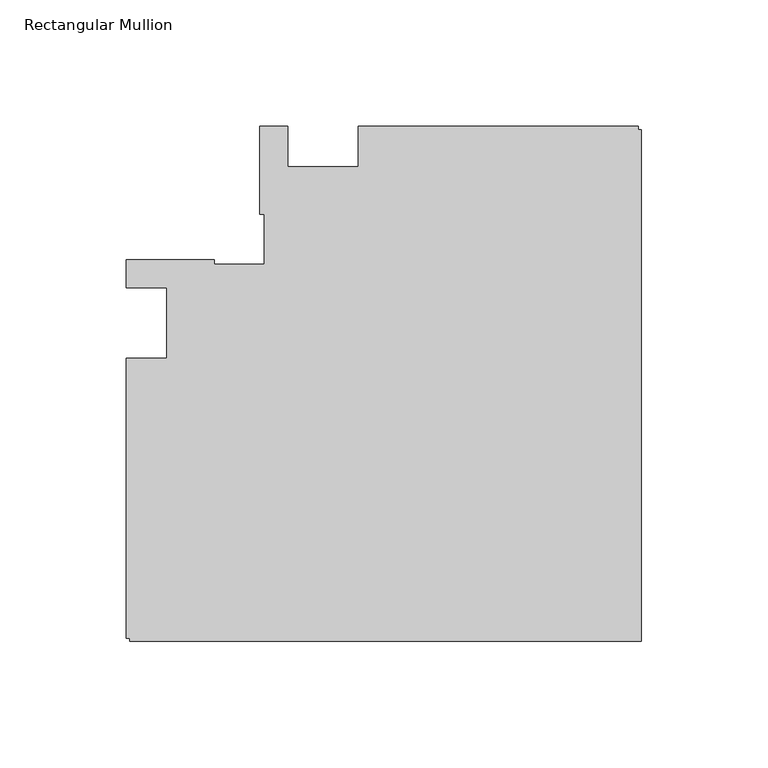
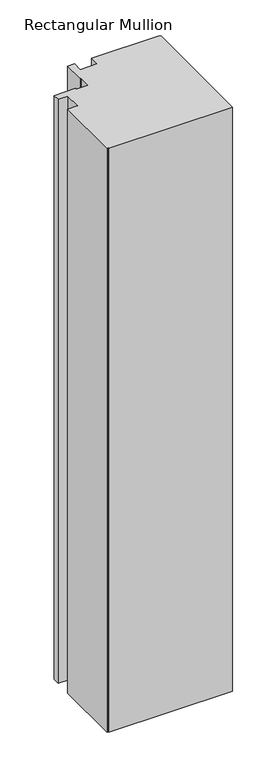
"""IFC4 building model written with IfcOpenShell, lengths in millimetres: member geometry, Rectangular Mullion."""

from ifc_helpers import new_model, si_unit, frame, origin, place, context, project, spatial, polyline, outline, extrude, source, transform, mapped, element, save


def rectangular_mullion_03a3480e(model_context):
    return source(origin(), model_context, "Body", "SweptSolid", [
        extrude(outline(polyline([(-112.2039366, 78.0481273), (-1.2039366, 78.0481273), (-1.2039366, 76.548142), (0.0, 76.548142), (0.0, -126.155816), (-202.703958, -126.155816), (-202.703958, -124.9518583), (-204.2039408, -124.9518583), (-204.2039408, -13.95177), (-188.2039146, -13.95177), (-188.2039146, 14.0481206), (-204.2039408, 14.0481206), (-204.2039408, 25.0481206), (-169.2039146, 25.0481206), (-169.2039146, 23.3589699), (-149.5136517, 23.3589699), (-149.5136517, 43.0481011), (-151.2040012, 43.0481011), (-151.2040012, 78.0480986), (-140.2039366, 78.0480986), (-140.2039366, 62.0480986), (-112.2039366, 62.0480986), (-112.2039366, 78.0481273)])), frame((0.0, 0.0, -1006.6595328), z_axis=(0.0, 0.0, 1.0), x_axis=(1.0, 0.0, 0.0)), (0.0, 0.0, 1.0), 1006.6595328),
    ])


if __name__ == "__main__":
    model = new_model("IFC4")
    model_context = context("Model", 3, world=origin())
    ifc_project = project(units=[si_unit("LENGTHUNIT", "METRE", prefix="MILLI")], contexts=[model_context])
    site = spatial("IfcSite", under=ifc_project)
    building = spatial("IfcBuilding", under=site)
    placement = place(None, origin())
    rectangular_mullion_shape = rectangular_mullion_03a3480e(model_context)
    element("IfcMember", 1, ObjectType="Rectangular Mullion", at=placement, inside=building, context=model_context, shape_type="MappedRepresentation", body=[
        mapped(rectangular_mullion_shape, transform((0.0, 0.0, 0.0), x_axis=(1.0, 0.0, 0.0), y_axis=(0.0, 1.0, 0.0), z_axis=(0.0, 0.0, 1.0))),
    ])
    save(model, "model.ifc")
